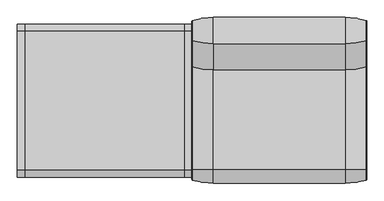
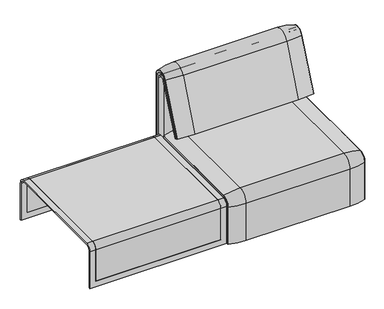
"""IFC4 building model written with IfcOpenShell, lengths in millimetres: furniture geometry."""

from ifc_helpers import new_model, si_unit, point, frame, frame_2d, origin, place, context, project, spatial, polyline, circle_curve, ellipse_curve, trimmed, segment, composite_curve, outline, extrude, source, transform, mapped, element, save
from ifc_brep_helpers import plane_surface, cylinder_surface, revolved_surface, advanced_brep


def furniture_8098b35e(model_context):
    return source(origin(), model_context, "Body", "SolidModel", [
        advanced_brep(
        [(407.9906244, 295.0, 359.922434), (407.9906244, 295.0, 366.172434), (1223.9718733, 295.0, 366.172434), (1223.9718733, 295.0, 359.922434), (407.9906244, -357.5, 333.0583003), (407.9906244, -357.5, 100.5089435), (1223.9718733, -357.5, 100.5089435), (1223.9718733, -357.5, 333.0583003), (1189.0718733, -357.5, 333.0583003), (1189.0718733, -357.5, 135.3766997), (442.8906244, -357.5, 135.3766997), (442.8906244, -357.5, 333.0583003), (407.9906244, -323.7517936, 359.922434), (1223.9718733, -323.7517936, 359.922434), (1189.0718733, -323.7517936, 359.922434), (1189.0718733, 260.0, 359.922434), (442.8906244, 260.0, 359.922434), (442.8906244, -323.7517936, 359.922434), (1189.0718733, -351.0, 135.3766997), (1189.0718733, -324.3858663, 366.172434), (1189.0718733, 260.0, 366.172434), (1189.0718733, -351.0, 332.6742277), (442.8906244, 260.0, 366.172434), (407.9906244, -351.0, 332.6742277), (407.9906244, -351.0, 100.5089435), (407.9906244, -324.3858663, 366.172434), (1223.9718733, -324.3858663, 366.172434), (1223.9718733, -351.0, 100.5089435), (1223.9718733, -351.0, 332.6742277), (442.8906244, -324.3858663, 366.172434), (442.8906244, -351.0, 332.6742277), (442.8906244, -351.0, 135.3766997)],
        [
            (0, 1),
            (1, 2),
            (2, 3),
            (3, 0),
            (4, 5),
            (5, 6),
            (6, 7),
            (7, 8),
            (8, 9),
            (9, 10),
            (10, 11),
            (11, 4),
            (12, 0),
            (3, 13),
            (13, 14),
            (14, 15),
            (15, 16),
            (16, 17),
            (17, 12),
            (18, 9),
            (8, 19, circle_curve(frame((1189.0718733, -324.3858663, 333.0583003), z_axis=(-1.0, 0.0, 0.0), x_axis=(0.0, -1.0, 0.0)), 33.1141337)),
            (19, 20),
            (20, 15),
            (14, 21, circle_curve(frame((1189.0718733, -323.7517936, 332.6742277), z_axis=(1.0, 0.0, 0.0), x_axis=(0.0, -1.0, 0.0)), 27.2482064)),
            (21, 18),
            (22, 16),
            (20, 22),
            (12, 23, circle_curve(frame((407.9906244, -323.7517936, 332.6742277), z_axis=(1.0, 0.0, 0.0), x_axis=(0.0, -1.0, 0.0)), 27.2482064)),
            (23, 24),
            (24, 5),
            (4, 25, circle_curve(frame((407.9906244, -324.3858663, 333.0583003), z_axis=(-1.0, 0.0, 0.0), x_axis=(0.0, -1.0, 0.0)), 33.1141337)),
            (25, 1),
            (2, 26),
            (26, 7, circle_curve(frame((1223.9718733, -324.3858663, 333.0583003), z_axis=(1.0, 0.0, 0.0), x_axis=(0.0, -1.0, 0.0)), 33.1141337)),
            (6, 27),
            (27, 28),
            (28, 13, circle_curve(frame((1223.9718733, -323.7517936, 332.6742277), z_axis=(-1.0, 0.0, 0.0), x_axis=(0.0, -1.0, 0.0)), 27.2482064)),
            (25, 29),
            (29, 22),
            (19, 26),
            (11, 29, circle_curve(frame((442.8906244, -324.3858663, 333.0583003), z_axis=(-1.0, 0.0, 0.0), x_axis=(0.0, -1.0, 0.0)), 33.1141337)),
            (24, 27),
            (23, 30),
            (30, 31),
            (31, 18),
            (21, 28),
            (17, 30, circle_curve(frame((442.8906244, -323.7517936, 332.6742277), z_axis=(1.0, 0.0, 0.0), x_axis=(0.0, -1.0, 0.0)), 27.2482064)),
            (10, 31),
        ],
        [
            plane_surface(frame((407.9906244, 295.0, 366.172434), z_axis=(0.0, 1.0, 0.0), x_axis=(1.0, 0.0, 0.0))),
            plane_surface(frame((407.9906244, -357.5, 100.5089435), z_axis=(0.0, -1.0, 0.0), x_axis=(1.0, 0.0, 0.0))),
            plane_surface(frame((407.9906244, 295.0, 359.922434), z_axis=(0.0, 0.0, -1.0), x_axis=(1.0, 0.0, 0.0))),
            plane_surface(frame((1189.0718733, -296.9265415, 359.922434), z_axis=(-1.0, 0.0, 0.0), x_axis=(0.0, 1.0, 0.0))),
            plane_surface(frame((442.8906244, 260.0, 366.172434), z_axis=(0.0, -1.0, 0.0), x_axis=(1.0, 0.0, 0.0))),
            plane_surface(frame((407.9906244, -296.9265415, 359.922434), z_axis=(-1.0, 0.0, 0.0), x_axis=(0.0, -1.0, 0.0))),
            plane_surface(frame((1223.9718733, -296.9265415, 359.922434), z_axis=(1.0, 0.0, 0.0), x_axis=(0.0, 1.0, 0.0))),
            plane_surface(frame((407.9906244, -324.3858663, 366.172434), z_axis=(0.0, 0.0, 1.0), x_axis=(1.0, 0.0, 0.0))),
            cylinder_surface(frame((1223.9718733, -324.3858663, 333.0583003), z_axis=(-1.0, 0.0, 0.0), x_axis=(0.0, -1.0, 0.0)), 33.1141337),
            plane_surface(frame((407.9906244, -351.0, 100.5089435), z_axis=(0.0, 0.0, -1.0), x_axis=(1.0, 0.0, 0.0))),
            plane_surface(frame((407.9906244, -351.0, 332.6742277), z_axis=(0.0, 1.0, 0.0), x_axis=(1.0, 0.0, 0.0))),
            revolved_surface(polyline([(442.8906244, -351.0, 332.6742277), (407.9906244, -351.0, 332.6742277)]), (1223.9718733, -323.7517936, 332.6742277), (1.0, 0.0, 0.0)),
            revolved_surface(polyline([(1223.9718733, -351.0, 332.6742277), (1189.0718733, -351.0, 332.6742277)]), (1223.9718733, -323.7517936, 332.6742277), (1.0, 0.0, 0.0)),
            plane_surface(frame((442.8906244, -296.9265415, 359.922434), z_axis=(1.0, 0.0, 0.0), x_axis=(0.0, -1.0, 0.0))),
            plane_surface(frame((442.8906244, -351.0, 135.3766997), z_axis=(0.0, 0.0, 1.0), x_axis=(1.0, 0.0, 0.0))),
        ],
        [
            (0, [[1, 2, 3, 4]]),
            (1, [[5, 6, 7, 8, 9, 10, 11, 12]]),
            (2, [[13, -4, 14, 15, 16, 17, 18, 19]]),
            (3, [[20, -9, 21, 22, 23, -16, 24, 25]]),
            (4, [[26, -17, -23, 27]]),
            (5, [[-13, 28, 29, 30, -5, 31, 32, -1]]),
            (6, [[-3, 33, 34, -7, 35, 36, 37, -14]]),
            (7, [[-32, 38, 39, -27, -22, 40, -33, -2]]),
            (8, [[-34, -40, -21, -8]]),
            (8, [[-31, -12, 41, -38]]),
            (9, [[-30, 42, -35, -6]]),
            (10, [[-29, 43, 44, 45, -25, 46, -36, -42]]),
            (11, [[-28, -19, 47, -43]]),
            (12, [[-37, -46, -24, -15]]),
            (13, [[-26, -39, -41, -11, 48, -44, -47, -18]]),
            (14, [[-48, -10, -20, -45]]),
        ],
    ),
        extrude(outline(composite_curve([segment(polyline([(260.0, 359.922434), (-323.7517936, 359.922434)]), True, "CONTINUOUS"), segment(trimmed(circle_curve(frame_2d((-323.7517936, 332.6742277)), 27.2482064), [point((-323.7517936, 359.922434))], [point((-351.0, 332.6742277))], True, "CARTESIAN"), True, "CONTINUOUS"), segment(polyline([(-351.0, 332.6742277), (-351.0, 135.3766997), (-357.5, 135.3766997), (-357.5, 333.0583003)]), True, "CONTINUOUS"), segment(trimmed(circle_curve(frame_2d((-324.3858663, 333.0583003)), 33.1141337), [point((-357.5, 333.0583003))], [point((-324.3858663, 366.172434))], False, "CARTESIAN"), True, "CONTINUOUS"), segment(polyline([(-324.3858663, 366.172434), (260.0, 366.172434), (260.0, 359.922434)]), True, "CONTINUOUS")], self_intersect=False)), frame((442.8906244, 0.0, 0.0), z_axis=(1.0, 0.0, 0.0), x_axis=(0.0, 1.0, 0.0)), (0.0, 0.0, 1.0), 746.1812488),
        advanced_brep(
        [(407.9906244, -368.7793679, 100.5089435), (407.9906244, -357.5, 100.5089435), (1223.9718733, -357.5, 100.5089435), (1223.9718733, -368.7793679, 100.5089435), (1221.8332448, -371.6530483, 100.5089435), (1123.9718733, -386.0043559, 100.5089435), (507.9906244, -386.0043559, 100.5089435), (410.1292529, -371.6530483, 100.5089435), (407.9906244, 295.0, 377.4518019), (410.1292529, 295.0, 380.3254823), (507.9906244, 295.0, 394.67679), (1123.9718733, 295.0, 394.67679), (1221.8332448, 295.0, 380.3254823), (1223.9718733, 295.0, 377.4518019), (1223.9718733, 295.0, 366.172434), (407.9906244, 295.0, 366.172434), (407.9906244, -368.7793679, 333.0583003), (407.9906244, -324.3858663, 377.4518019), (407.9906244, -324.3858663, 366.172434), (407.9906244, -357.5, 333.0583003), (1223.9718733, -357.5, 333.0583003), (1123.9718733, -386.0043559, 333.0583003), (507.9906244, -386.0043559, 333.0583003), (410.1292529, -371.6530483, 333.0583003), (1223.9718733, -324.3858663, 366.172434), (507.9906244, -324.3858663, 394.67679), (1123.9718733, -324.3858663, 394.67679), (410.1292529, -324.3858663, 380.3254823), (1223.9718733, -324.3858663, 377.4518019), (1223.9718733, -368.7793679, 333.0583003), (1221.8332448, -371.6530483, 333.0583003), (1221.8332448, -324.3858663, 380.3254823)],
        [
            (0, 1),
            (1, 2),
            (2, 3),
            (3, 4, circle_curve(frame((1220.9718733, -368.7793679, 100.5089435), z_axis=(0.0, 0.0, -1.0), x_axis=(-1.0, 0.0, 0.0)), 3.0)),
            (4, 5, circle_curve(frame((1123.9718733, -45.1710226, 100.5089435), z_axis=(0.0, 0.0, -1.0), x_axis=(0.0, 1.0, 0.0)), 340.8333333)),
            (5, 6),
            (6, 7, circle_curve(frame((507.9906244, -45.1710226, 100.5089435), z_axis=(0.0, 0.0, -1.0), x_axis=(0.0, 1.0, 0.0)), 340.8333333)),
            (7, 0, circle_curve(frame((410.9906244, -368.7793679, 100.5089435), z_axis=(0.0, 0.0, -1.0), x_axis=(1.0, 0.0, 0.0)), 3.0)),
            (8, 9, circle_curve(frame((410.9906244, 295.0, 377.4518019), z_axis=(0.0, 1.0, 0.0), x_axis=(1.0, 0.0, 0.0)), 3.0)),
            (9, 10, circle_curve(frame((507.9906244, 295.0, 53.8434566), z_axis=(0.0, 1.0, 0.0), x_axis=(0.0, 0.0, -1.0)), 340.8333333)),
            (10, 11),
            (11, 12, circle_curve(frame((1123.9718733, 295.0, 53.8434566), z_axis=(0.0, 1.0, 0.0), x_axis=(0.0, 0.0, -1.0)), 340.8333333)),
            (12, 13, circle_curve(frame((1220.9718733, 295.0, 377.4518019), z_axis=(0.0, 1.0, 0.0), x_axis=(-1.0, 0.0, 0.0)), 3.0)),
            (13, 14),
            (14, 15),
            (15, 8),
            (0, 16),
            (16, 17, circle_curve(frame((407.9906244, -324.3858663, 333.0583003), z_axis=(-1.0, 0.0, 0.0), x_axis=(0.0, -1.0, 0.0)), 44.3935016)),
            (17, 8),
            (15, 18),
            (18, 19, circle_curve(frame((407.9906244, -324.3858663, 333.0583003), z_axis=(1.0, 0.0, 0.0), x_axis=(0.0, -1.0, 0.0)), 33.1141337)),
            (19, 1),
            (19, 20),
            (20, 2),
            (5, 21),
            (21, 22),
            (22, 6),
            (22, 23, circle_curve(frame((507.9906244, -45.1710226, 333.0583003), z_axis=(0.0, 0.0, -1.0), x_axis=(0.0, 1.0, 0.0)), 340.8333333)),
            (23, 7),
            (23, 16, circle_curve(frame((410.9906244, -368.7793679, 333.0583003), z_axis=(0.0, 0.0, -1.0), x_axis=(1.0, 0.0, 0.0)), 3.0)),
            (24, 20, circle_curve(frame((1223.9718733, -324.3858663, 333.0583003), z_axis=(1.0, 0.0, 0.0), x_axis=(0.0, -1.0, 0.0)), 33.1141337)),
            (18, 24),
            (25, 22, circle_curve(frame((507.9906244, -324.3858663, 333.0583003), z_axis=(1.0, 0.0, 0.0), x_axis=(0.0, -1.0, 0.0)), 61.6184897)),
            (21, 26, circle_curve(frame((1123.9718733, -324.3858663, 333.0583003), z_axis=(-1.0, 0.0, 0.0), x_axis=(0.0, -1.0, 0.0)), 61.6184897)),
            (26, 25),
            (27, 23, circle_curve(frame((410.1292529, -324.3858663, 333.0583003), z_axis=(1.0, 0.0, 0.0), x_axis=(0.0, -1.0, 0.0)), 47.267182)),
            (25, 27, circle_curve(frame((507.9906244, -324.3858663, 53.8434566), z_axis=(0.0, -1.0, 0.0), x_axis=(0.0, 0.0, -1.0)), 340.8333333)),
            (27, 17, circle_curve(frame((410.9906244, -324.3858663, 377.4518019), z_axis=(0.0, -1.0, 0.0), x_axis=(1.0, 0.0, 0.0)), 3.0)),
            (14, 24),
            (26, 11),
            (10, 25),
            (9, 27),
            (13, 28),
            (28, 29, circle_curve(frame((1223.9718733, -324.3858663, 333.0583003), z_axis=(1.0, 0.0, 0.0), x_axis=(0.0, -1.0, 0.0)), 44.3935016)),
            (29, 3),
            (29, 30, circle_curve(frame((1220.9718733, -368.7793679, 333.0583003), z_axis=(0.0, 0.0, -1.0), x_axis=(-1.0, 0.0, 0.0)), 3.0)),
            (30, 4),
            (30, 21, circle_curve(frame((1123.9718733, -45.1710226, 333.0583003), z_axis=(0.0, 0.0, -1.0), x_axis=(0.0, 1.0, 0.0)), 340.8333333)),
            (31, 30, circle_curve(frame((1221.8332448, -324.3858663, 333.0583003), z_axis=(1.0, 0.0, 0.0), x_axis=(0.0, -1.0, 0.0)), 47.267182)),
            (28, 31, circle_curve(frame((1220.9718733, -324.3858663, 377.4518019), z_axis=(0.0, -1.0, 0.0), x_axis=(-1.0, 0.0, 0.0)), 3.0)),
            (31, 26, circle_curve(frame((1123.9718733, -324.3858663, 53.8434566), z_axis=(0.0, -1.0, 0.0), x_axis=(0.0, 0.0, -1.0)), 340.8333333)),
            (12, 31),
        ],
        [
            plane_surface(frame((407.9906244, -357.5, 100.5089435), z_axis=(0.0, 0.0, -1.0), x_axis=(1.0, 0.0, 0.0))),
            plane_surface(frame((407.9906244, 295.0, 366.172434), z_axis=(0.0, 1.0, 0.0), x_axis=(1.0, 0.0, 0.0))),
            plane_surface(frame((407.9906244, -368.7793679, 100.5089435), z_axis=(-1.0, 0.0, 0.0), x_axis=(0.0, 0.0, 1.0))),
            plane_surface(frame((407.9906244, -357.5, 100.5089435), z_axis=(0.0, 1.0, 0.0), x_axis=(0.0, 0.0, 1.0))),
            plane_surface(frame((1123.9718733, -386.0043559, 100.5089435), z_axis=(0.0, -1.0, 0.0), x_axis=(0.0, 0.0, 1.0))),
            cylinder_surface(frame((507.9906244, -45.1710226, 100.5089435), z_axis=(0.0, 0.0, -1.0), x_axis=(0.0, 1.0, 0.0)), 340.8333333),
            cylinder_surface(frame((410.9906244, -368.7793679, 100.5089435), z_axis=(0.0, 0.0, -1.0), x_axis=(1.0, 0.0, 0.0)), 3.0),
            revolved_surface(polyline([(407.9906244, -357.5, 333.0583003), (1223.9718733, -357.5, 333.0583003)]), (407.9906244, -324.3858663, 333.0583003), (-1.0, 0.0, 0.0)),
            cylinder_surface(frame((407.9906244, -324.3858663, 333.0583003), z_axis=(-1.0, 0.0, 0.0), x_axis=(0.0, -1.0, 0.0)), 61.6184897),
            revolved_surface(trimmed(ellipse_curve(frame((507.9906244, -45.1710226, 333.0583003), z_axis=(0.0, 0.0, -1.0), x_axis=(0.0, 1.0, 0.0)), 340.8333333, 340.8333333), [point((507.9906244, -386.0043559, 333.0583003))], [point((410.1292529, -371.6530483, 333.0583003))], True, "CARTESIAN"), (407.9906244, -324.3858663, 333.0583003), (-1.0, 0.0, 0.0)),
            revolved_surface(trimmed(ellipse_curve(frame((410.9906244, -368.7793679, 333.0583003), z_axis=(0.0, 0.0, -1.0), x_axis=(1.0, 0.0, 0.0)), 3.0, 3.0), [point((410.1292529, -371.6530483, 333.0583003))], [point((407.9906244, -368.7793679, 333.0583003))], True, "CARTESIAN"), (407.9906244, -324.3858663, 333.0583003), (-1.0, 0.0, 0.0)),
            plane_surface(frame((407.9906244, -324.3858663, 366.172434), z_axis=(0.0, 0.0, -1.0), x_axis=(0.0, 1.0, 0.0))),
            plane_surface(frame((1123.9718733, -324.3858663, 394.67679), z_axis=(0.0, 0.0, 1.0), x_axis=(0.0, 1.0, 0.0))),
            cylinder_surface(frame((507.9906244, -324.3858663, 53.8434566), z_axis=(0.0, -1.0, 0.0), x_axis=(0.0, 0.0, -1.0)), 340.8333333),
            cylinder_surface(frame((410.9906244, -324.3858663, 377.4518019), z_axis=(0.0, -1.0, 0.0), x_axis=(1.0, 0.0, 0.0)), 3.0),
            plane_surface(frame((1223.9718733, -357.5, 100.5089435), z_axis=(1.0, 0.0, 0.0), x_axis=(0.0, 0.0, 1.0))),
            cylinder_surface(frame((1220.9718733, -368.7793679, 100.5089435), z_axis=(0.0, 0.0, -1.0), x_axis=(-1.0, 0.0, 0.0)), 3.0),
            cylinder_surface(frame((1123.9718733, -45.1710226, 100.5089435), z_axis=(0.0, 0.0, -1.0), x_axis=(0.0, 1.0, 0.0)), 340.8333333),
            revolved_surface(trimmed(ellipse_curve(frame((1220.9718733, -368.7793679, 333.0583003), z_axis=(0.0, 0.0, -1.0), x_axis=(-1.0, 0.0, 0.0)), 3.0, 3.0), [point((1223.9718733, -368.7793679, 333.0583003))], [point((1221.8332448, -371.6530483, 333.0583003))], True, "CARTESIAN"), (407.9906244, -324.3858663, 333.0583003), (-1.0, 0.0, 0.0)),
            revolved_surface(trimmed(ellipse_curve(frame((1123.9718733, -45.1710226, 333.0583003), z_axis=(0.0, 0.0, -1.0), x_axis=(0.0, 1.0, 0.0)), 340.8333333, 340.8333333), [point((1221.8332448, -371.6530483, 333.0583003))], [point((1123.9718733, -386.0043559, 333.0583003))], True, "CARTESIAN"), (407.9906244, -324.3858663, 333.0583003), (-1.0, 0.0, 0.0)),
            cylinder_surface(frame((1220.9718733, -324.3858663, 377.4518019), z_axis=(0.0, -1.0, 0.0), x_axis=(-1.0, 0.0, 0.0)), 3.0),
            cylinder_surface(frame((1123.9718733, -324.3858663, 53.8434566), z_axis=(0.0, -1.0, 0.0), x_axis=(0.0, 0.0, -1.0)), 340.8333333),
        ],
        [
            (0, [[1, 2, 3, 4, 5, 6, 7, 8]]),
            (1, [[9, 10, 11, 12, 13, 14, 15, 16]]),
            (2, [[-1, 17, 18, 19, -16, 20, 21, 22]]),
            (3, [[-2, -22, 23, 24]]),
            (4, [[-6, 25, 26, 27]]),
            (5, [[-7, -27, 28, 29]]),
            (6, [[-8, -29, 30, -17]]),
            (7, [[31, -23, -21, 32]]),
            (8, [[33, -26, 34, 35]]),
            (9, [[36, -28, -33, 37]]),
            (10, [[-18, -30, -36, 38]]),
            (11, [[-32, -20, -15, 39]]),
            (12, [[-35, 40, -11, 41]]),
            (13, [[-37, -41, -10, 42]]),
            (14, [[-38, -42, -9, -19]]),
            (15, [[-3, -24, -31, -39, -14, 43, 44, 45]]),
            (16, [[-4, -45, 46, 47]]),
            (17, [[-5, -47, 48, -25]]),
            (18, [[49, -46, -44, 50]]),
            (19, [[-34, -48, -49, 51]]),
            (20, [[-50, -43, -13, 52]]),
            (21, [[-51, -52, -12, -40]]),
        ],
    ),
        advanced_brep(
        [(1189.0718733, 176.0980387, 452.25948), (1189.0718733, 181.0136548, 450.2250668), (442.8906244, 181.0136548, 450.2250668), (442.8906244, 176.0980387, 452.25948), (1223.9884174, 351.0000061, 101.8476716), (1223.9884174, 351.0000061, 712.9272623), (1189.0718733, 351.0000061, 712.9272623), (1189.0718733, 351.0000061, 135.3766997), (442.8906244, 351.0000061, 135.3766997), (442.8906244, 351.0000061, 712.9272623), (408.0071685, 351.0000061, 712.9272623), (408.0071685, 351.0000061, 101.8476716), (1223.9884174, 359.7858817, 101.8476716), (1223.9884174, 359.7858817, 720.3417731), (1223.9884174, 292.4403877, 733.7122262), (1223.9884174, 170.1966807, 437.98305), (1223.9884174, 175.0204081, 435.9866665), (1223.9884174, 296.2458652, 723.9869215), (408.0071685, 296.2720241, 723.9759107), (408.0071685, 175.0204081, 435.9866665), (408.0071685, 170.1966807, 437.98305), (408.0071685, 292.4403877, 733.7122262), (408.0071685, 359.7858817, 720.3417731), (408.0071685, 359.7858817, 101.8476716), (1189.0718733, 292.4403877, 733.7122262), (442.8906244, 292.4403877, 733.7122262), (442.8906244, 296.2458652, 723.9869215), (1189.0718733, 296.2458652, 723.9869215), (442.8906244, 359.7858817, 720.3417731), (442.8906244, 359.7858817, 135.3766997), (1189.0718733, 359.7858817, 135.3766997), (1189.0718733, 359.7858817, 720.3417731)],
        [
            (0, 1),
            (1, 2),
            (2, 3),
            (3, 0),
            (4, 5),
            (5, 6),
            (6, 7),
            (7, 8),
            (8, 9),
            (9, 10),
            (10, 11),
            (11, 4),
            (4, 12),
            (12, 13),
            (13, 14, circle_curve(frame((1223.9884174, 324.7858817, 720.3417731), z_axis=(1.0, 0.0, 0.0), x_axis=(0.0, -1.0, 0.0)), 35.0)),
            (14, 15),
            (15, 16),
            (16, 17),
            (17, 5, circle_curve(frame((1223.9884174, 322.520748, 712.9272623), z_axis=(-1.0, 0.0, 0.0), x_axis=(0.0, -1.0, 0.0)), 28.479258)),
            (10, 18, circle_curve(frame((408.0071685, 322.520748, 712.9272623), z_axis=(1.0, 0.0, 0.0), x_axis=(0.0, -1.0, 0.0)), 28.479258)),
            (18, 19),
            (19, 20),
            (20, 21),
            (21, 22, circle_curve(frame((408.0071685, 324.7858817, 720.3417731), z_axis=(-1.0, 0.0, 0.0), x_axis=(0.0, -1.0, 0.0)), 35.0)),
            (22, 23),
            (23, 11),
            (14, 24),
            (24, 0),
            (3, 25),
            (25, 21),
            (20, 15),
            (19, 16),
            (18, 26),
            (26, 2),
            (1, 27),
            (27, 17),
            (23, 12),
            (22, 28),
            (28, 29),
            (29, 30),
            (30, 31),
            (31, 13),
            (31, 24, circle_curve(frame((1189.0718733, 324.7858817, 720.3417731), z_axis=(1.0, 0.0, 0.0), x_axis=(0.0, -1.0, 0.0)), 35.0)),
            (25, 28, circle_curve(frame((442.8906244, 324.7858817, 720.3417731), z_axis=(-1.0, 0.0, 0.0), x_axis=(0.0, -1.0, 0.0)), 35.0)),
            (27, 6, circle_curve(frame((1189.0718733, 322.520748, 712.9272623), z_axis=(-1.0, 0.0, 0.0), x_axis=(0.0, -1.0, 0.0)), 28.479258)),
            (9, 26, circle_curve(frame((442.8906244, 322.520748, 712.9272623), z_axis=(1.0, 0.0, 0.0), x_axis=(0.0, -1.0, 0.0)), 28.479258)),
            (30, 7),
            (8, 29),
        ],
        [
            plane_surface(frame((1189.0718733, 166.9120641, 456.0612553), z_axis=(0.0, 0.38241039441982605, 0.9239925812687422), x_axis=(-1.0, 0.0, 0.0))),
            plane_surface(frame((1223.9884174, 351.0000061, 712.9272623), z_axis=(0.0, -1.0, 0.0), x_axis=(-1.0, 0.0, 0.0))),
            plane_surface(frame((1223.9884174, 359.7858817, 101.8476716), z_axis=(1.0, 0.0, 0.0), x_axis=(0.0, 1.0, 0.0))),
            plane_surface(frame((408.0071685, 359.7858817, 101.8476716), z_axis=(-1.0, 0.0, 0.0), x_axis=(0.0, -1.0, 0.0))),
            plane_surface(frame((1223.9884174, 292.4403877, 733.7122262), z_axis=(0.0, -0.9241569717933176, 0.3820129467515535), x_axis=(-1.0, 0.0, 0.0))),
            plane_surface(frame((1223.9884174, 170.1966807, 437.98305), z_axis=(0.0, -0.38241039441983893, -0.9239925812687368), x_axis=(-1.0, 0.0, 0.0))),
            plane_surface(frame((1223.9884174, 175.0204081, 435.9866665), z_axis=(0.0, 0.921678643444566, -0.3879542218073993), x_axis=(-1.0, 0.0, 0.0))),
            plane_surface(frame((1223.9884174, 351.0000061, 101.8476716), z_axis=(0.0, 0.0, -1.0), x_axis=(-1.0, 0.0, 0.0))),
            plane_surface(frame((1223.9884174, 359.7858817, 101.8476716), z_axis=(0.0, 1.0, 0.0), x_axis=(-1.0, 0.0, 0.0))),
            cylinder_surface(frame((408.0071685, 324.7858817, 720.3417731), z_axis=(1.0, 0.0, 0.0), x_axis=(0.0, -1.0, 0.0)), 35.0),
            revolved_surface(polyline([(1189.0718733, 294.04149, 712.9272623), (1223.9884174, 294.04149, 712.9272623)]), (408.0071685, 322.520748, 712.9272623), (-1.0, 0.0, 0.0)),
            revolved_surface(polyline([(408.0071685, 294.04149, 712.9272623), (442.8906244, 294.04149, 712.9272623)]), (408.0071685, 322.520748, 712.9272623), (-1.0, 0.0, 0.0)),
            plane_surface(frame((1189.0718733, 359.7858817, 135.3766997), z_axis=(-1.0, 0.0, 0.0), x_axis=(0.0, 1.0, 0.0))),
            plane_surface(frame((442.8906244, 359.7858817, 135.3766997), z_axis=(1.0, 0.0, 0.0), x_axis=(0.0, -1.0, 0.0))),
            plane_surface(frame((1189.0718733, 344.7858817, 135.3766997), z_axis=(0.0, 0.0, 1.0), x_axis=(-1.0, 0.0, 0.0))),
        ],
        [
            (0, [[1, 2, 3, 4]]),
            (1, [[5, 6, 7, 8, 9, 10, 11, 12]]),
            (2, [[13, 14, 15, 16, 17, 18, 19, -5]]),
            (3, [[-11, 20, 21, 22, 23, 24, 25, 26]]),
            (4, [[-16, 27, 28, -4, 29, 30, -23, 31]]),
            (5, [[-17, -31, -22, 32]]),
            (6, [[-18, -32, -21, 33, 34, -2, 35, 36]]),
            (7, [[-13, -12, -26, 37]]),
            (8, [[-14, -37, -25, 38, 39, 40, 41, 42]]),
            (9, [[-15, -42, 43, -27]]),
            (9, [[-24, -30, 44, -38]]),
            (10, [[-19, -36, 45, -6]]),
            (11, [[-20, -10, 46, -33]]),
            (12, [[-1, -28, -43, -41, 47, -7, -45, -35]]),
            (13, [[48, -39, -44, -29, -3, -34, -46, -9]]),
            (14, [[-47, -40, -48, -8]]),
        ],
    ),
        advanced_brep(
        [(442.8906244, 351.0000061, 135.3766997), (442.8906244, 351.0000061, 712.9272623), (442.8906244, 296.2720241, 723.9759107), (442.8906244, 181.0136548, 450.2250668), (442.8906244, 176.0980387, 452.25948), (442.8906244, 292.4403877, 733.7122262), (442.8906244, 359.7858817, 720.3417731), (442.8906244, 359.7858817, 135.3766997), (1189.0718733, 176.0980387, 452.25948), (1189.0718733, 292.4403877, 733.7122262), (1189.0718733, 181.0136548, 450.2250668), (1189.0718733, 296.2458652, 723.9869215), (1189.0718733, 351.0000061, 135.3766997), (1189.0718733, 351.0000061, 712.9272623), (1189.0718733, 359.7858817, 135.3766997), (1189.0718733, 359.7858817, 720.3417731)],
        [
            (0, 1),
            (1, 2, circle_curve(frame((442.8906244, 322.520748, 712.9272623), z_axis=(1.0, 0.0, 0.0), x_axis=(0.0, -1.0, 0.0)), 28.479258)),
            (2, 3),
            (3, 4),
            (4, 5),
            (5, 6, circle_curve(frame((442.8906244, 324.7858817, 720.3417731), z_axis=(-1.0, 0.0, 0.0), x_axis=(0.0, -1.0, 0.0)), 35.0)),
            (6, 7),
            (7, 0),
            (8, 9),
            (9, 5),
            (4, 8),
            (10, 8),
            (3, 10),
            (11, 10),
            (2, 11),
            (12, 13),
            (13, 1),
            (0, 12),
            (12, 14),
            (14, 15),
            (15, 9, circle_curve(frame((1189.0718733, 324.7858817, 720.3417731), z_axis=(1.0, 0.0, 0.0), x_axis=(0.0, -1.0, 0.0)), 35.0)),
            (11, 13, circle_curve(frame((1189.0718733, 322.520748, 712.9272623), z_axis=(-1.0, 0.0, 0.0), x_axis=(0.0, -1.0, 0.0)), 28.479258)),
            (7, 14),
            (6, 15),
        ],
        [
            plane_surface(frame((442.8906244, 359.7858817, 135.3766997), z_axis=(-1.0, 0.0, 0.0), x_axis=(0.0, -1.0, 0.0))),
            plane_surface(frame((1189.0718733, 292.4403877, 733.7122262), z_axis=(0.0, -0.9241569717933176, 0.3820129467515535), x_axis=(-1.0, 0.0, 0.0))),
            plane_surface(frame((1189.0718733, 176.0980387, 452.25948), z_axis=(0.0, -0.38241039441982716, -0.9239925812687417), x_axis=(-1.0, 0.0, 0.0))),
            plane_surface(frame((1189.0718733, 181.0136548, 450.2250668), z_axis=(0.0, 0.921678643444566, -0.3879542218073993), x_axis=(-1.0, 0.0, 0.0))),
            plane_surface(frame((1189.0718733, 351.0000061, 712.9272623), z_axis=(0.0, -1.0, 0.0), x_axis=(-1.0, 0.0, 0.0))),
            plane_surface(frame((1189.0718733, 359.7858817, 135.3766997), z_axis=(1.0, 0.0, 0.0), x_axis=(0.0, 1.0, 0.0))),
            plane_surface(frame((1189.0718733, 351.0000061, 135.3766997), z_axis=(0.0, 0.0, -1.0), x_axis=(-1.0, 0.0, 0.0))),
            plane_surface(frame((1189.0718733, 359.7858817, 135.3766997), z_axis=(0.0, 1.0, 0.0), x_axis=(-1.0, 0.0, 0.0))),
            cylinder_surface(frame((442.8906244, 324.7858817, 720.3417731), z_axis=(1.0, 0.0, 0.0), x_axis=(0.0, -1.0, 0.0)), 35.0),
            revolved_surface(polyline([(442.8906244, 294.04149, 712.9272623), (1189.0718733, 294.04149, 712.9272623)]), (442.8906244, 322.520748, 712.9272623), (-1.0, 0.0, 0.0)),
        ],
        [
            (0, [[1, 2, 3, 4, 5, 6, 7, 8]]),
            (1, [[9, 10, -5, 11]]),
            (2, [[12, -11, -4, 13]]),
            (3, [[14, -13, -3, 15]]),
            (4, [[16, 17, -1, 18]]),
            (5, [[19, 20, 21, -9, -12, -14, 22, -16]]),
            (6, [[-19, -18, -8, 23]]),
            (7, [[-20, -23, -7, 24]]),
            (8, [[-21, -24, -6, -10]]),
            (9, [[-22, -15, -2, -17]]),
        ],
    ),
        extrude(outline(composite_curve([segment(trimmed(circle_curve(frame_2d((305.0000061, 379.9223263)), 30.0), [point((305.0000061, 349.9223263))], [point((335.0000061, 379.9223263))], True, "CARTESIAN"), True, "CONTINUOUS"), segment(polyline([(335.0000061, 379.9223263), (335.0000061, 515.0657595)]), True, "CONTINUOUS"), segment(trimmed(circle_curve(frame_2d((305.0000061, 515.0657595)), 30.0), [point((335.0000061, 515.0657595))], [point((316.7219399, 542.6809051))], True, "CARTESIAN"), True, "CONTINUOUS"), segment(polyline([(316.7219399, 542.6809051), (257.4911714, 567.8228747)]), True, "CONTINUOUS"), segment(trimmed(circle_curve(frame_2d((251.6302045, 554.0153019)), 15.0), [point((257.4911714, 567.8228747))], [point((238.0355877, 560.3545758))], True, "CARTESIAN"), True, "CONTINUOUS"), segment(polyline([(238.0355877, 560.3545758), (222.2725218, 526.5505721), (213.7507451, 529.5682915), (296.3054528, 724.0549949)]), True, "CONTINUOUS"), segment(trimmed(circle_curve(frame_2d((322.520748, 712.9272623)), 28.479258), [point((296.3054528, 724.0549949))], [point((351.0000061, 712.9272623))], False, "CARTESIAN"), True, "CONTINUOUS"), segment(polyline([(351.0000061, 712.9272623), (351.0000061, 197.0551771), (343.3075759, 197.0551771), (339.4064861, 271.492405)]), True, "CONTINUOUS"), segment(trimmed(circle_curve(frame_2d((309.4476, 269.9223263)), 30.0), [point((339.4064861, 271.492405))], [point((309.4476, 299.9223263))], True, "CARTESIAN"), True, "CONTINUOUS"), segment(polyline([(309.4476, 299.9223263), (270.0000061, 299.9223263), (270.0000061, 359.9223263), (275.0000061, 359.9223263)]), True, "CONTINUOUS"), segment(trimmed(circle_curve(frame_2d((285.0000061, 359.9223263)), 10.0), [point((275.0000061, 359.9223263))], [point((285.0000061, 349.9223263))], True, "CARTESIAN"), True, "CONTINUOUS"), segment(polyline([(285.0000061, 349.9223263), (305.0000061, 349.9223263)]), True, "CONTINUOUS")], self_intersect=False), holes=[composite_curve([segment(polyline([(337.5000061, 576.3274105), (337.5000061, 716.7072663)]), True, "CONTINUOUS"), segment(trimmed(circle_curve(frame_2d((322.5000061, 716.7072663)), 15.0), [point((337.5000061, 716.7072663))], [point((308.9053893, 723.0465402))], True, "CARTESIAN"), True, "CONTINUOUS"), segment(polyline([(308.9053893, 723.0465402), (253.6256191, 604.4986904)]), True, "CONTINUOUS"), segment(trimmed(circle_curve(frame_2d((271.7517748, 596.0463251)), 20.0), [point((253.6256191, 604.4986904))], [point((265.0756376, 577.1934953))], True, "CARTESIAN"), True, "CONTINUOUS"), segment(polyline([(265.0756376, 577.1934953), (314.1406626, 559.8186587)]), True, "CONTINUOUS"), segment(trimmed(circle_curve(frame_2d((319.9867182, 576.3274105)), 17.5132879), [point((314.1406626, 559.8186587))], [point((337.5000061, 576.3274105))], True, "CARTESIAN"), True, "CONTINUOUS")], self_intersect=False)]), frame((1060.9760457, 0.0, 0.0), z_axis=(1.0, 0.0, 0.0), x_axis=(0.0, 1.0, 0.0)), (0.0, 0.0, 1.0), 40.0),
        advanced_brep(
        [(1221.8497889, 373.93893, 100.5089435), (1123.9884174, 388.2902376, 100.5089435), (1123.9884174, 388.2902376, 720.3417731), (1221.8497889, 373.93893, 720.3417731), (407.9740803, 292.4403877, 733.7122262), (407.9740803, 359.7858817, 720.3417731), (1223.9884174, 359.7858817, 720.3417731), (1223.9884174, 292.4403877, 733.7122262), (507.9740803, 388.2902376, 100.5089435), (410.1127088, 373.93893, 100.5089435), (410.1127088, 373.93893, 720.3417731), (507.9740803, 388.2902376, 720.3417731), (410.1127088, 279.3607494, 739.1188739), (407.9740803, 282.0164812, 738.0210907), (407.9740803, 159.7723383, 442.2908598), (410.1127088, 157.1166065, 443.3886429), (507.9740803, 266.0978884, 744.6012592), (507.9740803, 143.8537454, 448.8710282), (1223.9884174, 371.0652495, 100.5089435), (1223.9884174, 359.7858817, 100.5089435), (407.9740803, 359.7858817, 100.5089435), (407.9740803, 371.0652495, 100.5089435), (1223.9884174, 371.0652495, 720.3417731), (1223.9884174, 282.0164812, 738.0210907), (1223.9884174, 159.7723383, 442.2908598), (1223.9884174, 170.1962447, 437.9819952), (1123.9884174, 143.8537454, 448.8710282), (407.9740803, 170.1962447, 437.9819952), (1221.8497889, 157.1166065, 443.3886429), (1123.9884174, 266.0978884, 744.6012592), (1221.8497889, 279.3607494, 739.1188739), (407.9740803, 371.0652495, 720.3417731)],
        [
            (0, 1, circle_curve(frame((1123.9884174, 47.4569043, 100.5089435), z_axis=(0.0, 0.0, 1.0), x_axis=(0.0, -1.0, 0.0)), 340.8333333)),
            (1, 2),
            (2, 3, circle_curve(frame((1123.9884174, 47.4569043, 720.3417731), z_axis=(0.0, 0.0, -1.0), x_axis=(0.0, -1.0, 0.0)), 340.8333333)),
            (3, 0),
            (4, 5, circle_curve(frame((407.9740803, 324.7858817, 720.3417731), z_axis=(-1.0, 0.0, 0.0), x_axis=(0.0, 1.0, 0.0)), 35.0)),
            (5, 6),
            (6, 7, circle_curve(frame((1223.9884174, 324.7858817, 720.3417731), z_axis=(1.0, 0.0, 0.0), x_axis=(0.0, 1.0, 0.0)), 35.0)),
            (7, 4),
            (8, 9, circle_curve(frame((507.9740803, 47.4569043, 100.5089435), z_axis=(0.0, 0.0, 1.0), x_axis=(0.0, -1.0, 0.0)), 340.8333333)),
            (9, 10),
            (10, 11, circle_curve(frame((507.9740803, 47.4569043, 720.3417731), z_axis=(0.0, 0.0, -1.0), x_axis=(0.0, -1.0, 0.0)), 340.8333333)),
            (11, 8),
            (12, 13, circle_curve(frame((410.9740803, 282.0164812, 738.0210907), z_axis=(0.0, -0.38201294675155345, -0.9241569717933176), x_axis=(-1.0, 0.0, 0.0)), 3.0)),
            (13, 14),
            (14, 15, circle_curve(frame((410.9740803, 159.7723383, 442.2908598), z_axis=(0.0, 0.38201294675155345, 0.9241569717933176), x_axis=(-1.0, 0.0, 0.0)), 3.0)),
            (15, 12),
            (16, 12, circle_curve(frame((507.9740803, 581.0813896, 614.3985132), z_axis=(0.0, -0.38201294675155345, -0.9241569717933176), x_axis=(0.0, 0.9241569717933176, -0.38201294675155345)), 340.8333333)),
            (15, 17, circle_curve(frame((507.9740803, 458.8372467, 318.6682822), z_axis=(0.0, 0.38201294675155345, 0.9241569717933176), x_axis=(0.0, 0.9241569717933176, -0.38201294675155345)), 340.8333333)),
            (17, 16),
            (0, 18, circle_curve(frame((1220.9884174, 371.0652495, 100.5089435), z_axis=(0.0, 0.0, -1.0), x_axis=(1.0, 0.0, 0.0)), 3.0)),
            (18, 19),
            (19, 20),
            (20, 21),
            (21, 9, circle_curve(frame((410.9740803, 371.0652495, 100.5089435), z_axis=(0.0, 0.0, -1.0), x_axis=(-1.0, 0.0, 0.0)), 3.0)),
            (8, 1),
            (11, 2),
            (3, 22, circle_curve(frame((1220.9884174, 371.0652495, 720.3417731), z_axis=(0.0, 0.0, -1.0), x_axis=(1.0, 0.0, 0.0)), 3.0)),
            (22, 18),
            (22, 23, circle_curve(frame((1223.9884174, 324.7858817, 720.3417731), z_axis=(1.0, 0.0, 0.0), x_axis=(0.0, 1.0, 0.0)), 46.2793679)),
            (23, 24),
            (24, 25),
            (25, 7),
            (6, 19),
            (5, 20),
            (26, 17),
            (14, 27),
            (27, 25),
            (24, 28, circle_curve(frame((1220.9884174, 159.7723383, 442.2908598), z_axis=(0.0, -0.38201294675155345, -0.9241569717933176), x_axis=(1.0, 0.0, 0.0)), 3.0)),
            (28, 26, circle_curve(frame((1123.9884174, 458.8372467, 318.6682822), z_axis=(0.0, -0.38201294675155345, -0.9241569717933176), x_axis=(0.0, 0.9241569717933176, -0.38201294675155345)), 340.8333333)),
            (29, 2, circle_curve(frame((1123.9884174, 324.7858817, 720.3417731), z_axis=(-1.0, 0.0, 0.0), x_axis=(0.0, 1.0, 0.0)), 63.5043559)),
            (11, 16, circle_curve(frame((507.9740803, 324.7858817, 720.3417731), z_axis=(1.0, 0.0, 0.0), x_axis=(0.0, 1.0, 0.0)), 63.5043559)),
            (16, 29),
            (30, 3, circle_curve(frame((1221.8497889, 324.7858817, 720.3417731), z_axis=(-1.0, 0.0, 0.0), x_axis=(0.0, 1.0, 0.0)), 49.1530483)),
            (29, 30, circle_curve(frame((1123.9884174, 581.0813896, 614.3985132), z_axis=(0.0, 0.382012946751556, 0.9241569717933165), x_axis=(0.0, 0.9241569717933165, -0.382012946751556)), 340.8333333)),
            (30, 23, circle_curve(frame((1220.9884174, 282.0164812, 738.0210907), z_axis=(0.0, 0.3820129467515552, 0.9241569717933168), x_axis=(1.0, 0.0, 0.0)), 3.0)),
            (26, 29),
            (28, 30),
            (27, 4),
            (13, 31, circle_curve(frame((407.9740803, 324.7858817, 720.3417731), z_axis=(-1.0, 0.0, 0.0), x_axis=(0.0, 1.0, 0.0)), 46.2793679)),
            (31, 21),
            (31, 10, circle_curve(frame((410.9740803, 371.0652495, 720.3417731), z_axis=(0.0, 0.0, -1.0), x_axis=(-1.0, 0.0, 0.0)), 3.0)),
            (12, 10, circle_curve(frame((410.1127088, 324.7858817, 720.3417731), z_axis=(-1.0, 0.0, 0.0), x_axis=(0.0, 1.0, 0.0)), 49.1530483)),
        ],
        [
            cylinder_surface(frame((1123.9884174, 47.4569043, 100.5089435), z_axis=(0.0, 0.0, -1.0), x_axis=(0.0, -1.0, 0.0)), 340.8333333),
            revolved_surface(polyline([(1223.9884174, 359.7858817, 720.3417731), (407.9740803, 359.7858817, 720.3417731)]), (820.7462721, 324.7858817, 720.3417731), (1.0, 0.0, 0.0)),
            cylinder_surface(frame((507.9740803, 47.4569043, 100.5089435), z_axis=(0.0, 0.0, -1.0), x_axis=(0.0, -1.0, 0.0)), 340.8333333),
            cylinder_surface(frame((410.9740803, 282.0164812, 738.0210907), z_axis=(0.0, 0.38201294675155345, 0.9241569717933176), x_axis=(-1.0, 0.0, 0.0)), 3.0),
            cylinder_surface(frame((507.9740803, 581.0813896, 614.3985132), z_axis=(0.0, 0.38201294675155345, 0.9241569717933176), x_axis=(0.0, 0.9241569717933176, -0.38201294675155345)), 340.8333333),
            plane_surface(frame((820.7462721, 359.7858817, 100.5089435), z_axis=(0.0, 0.0, -1.0), x_axis=(1.0, 0.0, 0.0))),
            plane_surface(frame((507.9740803, 388.2902376, 100.5089435), z_axis=(0.0, 1.0, 0.0), x_axis=(0.0, 0.0, 1.0))),
            cylinder_surface(frame((1220.9884174, 371.0652495, 100.5089435), z_axis=(0.0, 0.0, -1.0), x_axis=(1.0, 0.0, 0.0)), 3.0),
            plane_surface(frame((1223.9884174, 371.0652495, 100.5089435), z_axis=(1.0, 0.0, 0.0), x_axis=(0.0, 0.0, 1.0))),
            plane_surface(frame((1223.9884174, 359.7858817, 100.5089435), z_axis=(0.0, -1.0, 0.0), x_axis=(0.0, 0.0, 1.0))),
            plane_surface(frame((820.7462721, 170.1962447, 437.9819952), z_axis=(0.0, -0.38201294675155345, -0.9241569717933176), x_axis=(1.0, 0.0, 0.0))),
            cylinder_surface(frame((820.7462721, 324.7858817, 720.3417731), z_axis=(1.0, 0.0, 0.0), x_axis=(0.0, 1.0, 0.0)), 63.5043559),
            revolved_surface(trimmed(ellipse_curve(frame((1123.9884174, 47.4569043, 720.3417731), z_axis=(0.0, 0.0, -1.0), x_axis=(0.0, -1.0, 0.0)), 340.8333333, 340.8333333), [point((1123.9884174, 388.2902376, 720.3417731))], [point((1221.8497889, 373.93893, 720.3417731))], True, "CARTESIAN"), (820.7462721, 324.7858817, 720.3417731), (1.0, 0.0, 0.0)),
            revolved_surface(trimmed(ellipse_curve(frame((1220.9884174, 371.0652495, 720.3417731), z_axis=(0.0, 0.0, -1.0), x_axis=(1.0, 0.0, 0.0)), 3.0, 3.0), [point((1221.8497889, 373.93893, 720.3417731))], [point((1223.9884174, 371.0652495, 720.3417731))], True, "CARTESIAN"), (820.7462721, 324.7858817, 720.3417731), (1.0, 0.0, 0.0)),
            plane_surface(frame((507.9740803, 266.0978884, 744.6012592), z_axis=(0.0, -0.9241569717933176, 0.38201294675155356), x_axis=(0.0, -0.38201294675155356, -0.9241569717933176))),
            cylinder_surface(frame((1123.9884174, 581.0813896, 614.3985132), z_axis=(0.0, 0.38201294675155345, 0.9241569717933176), x_axis=(0.0, 0.9241569717933176, -0.38201294675155345)), 340.8333333),
            cylinder_surface(frame((1220.9884174, 282.0164812, 738.0210907), z_axis=(0.0, 0.38201294675155345, 0.9241569717933176), x_axis=(1.0, 0.0, 0.0)), 3.0),
            plane_surface(frame((1223.9884174, 292.4403877, 733.7122262), z_axis=(0.0, 0.9241569717933176, -0.38201294675155356), x_axis=(0.0, -0.38201294675155356, -0.9241569717933176))),
            plane_surface(frame((407.9740803, 359.7858817, 100.5089435), z_axis=(-1.0, 0.0, 0.0), x_axis=(0.0, 0.0, 1.0))),
            cylinder_surface(frame((410.9740803, 371.0652495, 100.5089435), z_axis=(0.0, 0.0, -1.0), x_axis=(-1.0, 0.0, 0.0)), 3.0),
            revolved_surface(trimmed(ellipse_curve(frame((410.9740803, 371.0652495, 720.3417731), z_axis=(0.0, 0.0, -1.0), x_axis=(-1.0, 0.0, 0.0)), 3.0, 3.0), [point((407.9740803, 371.0652495, 720.3417731))], [point((410.1127088, 373.93893, 720.3417731))], True, "CARTESIAN"), (820.7462721, 324.7858817, 720.3417731), (1.0, 0.0, 0.0)),
            revolved_surface(trimmed(ellipse_curve(frame((507.9740803, 47.4569043, 720.3417731), z_axis=(0.0, 0.0, -1.0), x_axis=(0.0, -1.0, 0.0)), 340.8333333, 340.8333333), [point((410.1127088, 373.93893, 720.3417731))], [point((507.9740803, 388.2902376, 720.3417731))], True, "CARTESIAN"), (820.7462721, 324.7858817, 720.3417731), (1.0, 0.0, 0.0)),
        ],
        [
            (0, [[1, 2, 3, 4]]),
            (1, [[5, 6, 7, 8]]),
            (2, [[9, 10, 11, 12]]),
            (3, [[13, 14, 15, 16]]),
            (4, [[17, -16, 18, 19]]),
            (5, [[-1, 20, 21, 22, 23, 24, -9, 25]]),
            (6, [[-25, -12, 26, -2]]),
            (7, [[-20, -4, 27, 28]]),
            (8, [[-21, -28, 29, 30, 31, 32, -7, 33]]),
            (9, [[-22, -33, -6, 34]]),
            (10, [[35, -18, -15, 36, 37, -31, 38, 39]]),
            (11, [[40, -26, 41, 42]]),
            (12, [[43, -3, -40, 44]]),
            (13, [[-29, -27, -43, 45]]),
            (14, [[-42, -19, -35, 46]]),
            (15, [[-44, -46, -39, 47]]),
            (16, [[-45, -47, -38, -30]]),
            (17, [[-8, -32, -37, 48]]),
            (18, [[-23, -34, -5, -48, -36, -14, 49, 50]]),
            (19, [[-24, -50, 51, -10]]),
            (20, [[52, -51, -49, -13]]),
            (21, [[-41, -11, -52, -17]]),
        ],
    ),
        extrude(outline(composite_curve([segment(trimmed(circle_curve(frame_2d((305.0000061, 379.9223263)), 30.0), [point((305.0000061, 349.9223263))], [point((335.0000061, 379.9223263))], True, "CARTESIAN"), True, "CONTINUOUS"), segment(polyline([(335.0000061, 379.9223263), (335.0000061, 515.0657595)]), True, "CONTINUOUS"), segment(trimmed(circle_curve(frame_2d((305.0000061, 515.0657595)), 30.0), [point((335.0000061, 515.0657595))], [point((316.7219399, 542.6809051))], True, "CARTESIAN"), True, "CONTINUOUS"), segment(polyline([(316.7219399, 542.6809051), (257.4911714, 567.8228747)]), True, "CONTINUOUS"), segment(trimmed(circle_curve(frame_2d((251.6302045, 554.0153019)), 15.0), [point((257.4911714, 567.8228747))], [point((238.0355877, 560.3545758))], True, "CARTESIAN"), True, "CONTINUOUS"), segment(polyline([(238.0355877, 560.3545758), (222.2725218, 526.5505721), (213.7507451, 529.5682915), (296.3054528, 724.0549949)]), True, "CONTINUOUS"), segment(trimmed(circle_curve(frame_2d((322.520748, 712.9272623)), 28.479258), [point((296.3054528, 724.0549949))], [point((351.0000061, 712.9272623))], False, "CARTESIAN"), True, "CONTINUOUS"), segment(polyline([(351.0000061, 712.9272623), (351.0000061, 197.0551771), (343.3075759, 197.0551771), (339.4064861, 271.492405)]), True, "CONTINUOUS"), segment(trimmed(circle_curve(frame_2d((309.4476, 269.9223263)), 30.0), [point((339.4064861, 271.492405))], [point((309.4476, 299.9223263))], True, "CARTESIAN"), True, "CONTINUOUS"), segment(polyline([(309.4476, 299.9223263), (270.0000061, 299.9223263), (270.0000061, 359.9223263), (275.0000061, 359.9223263)]), True, "CONTINUOUS"), segment(trimmed(circle_curve(frame_2d((285.0000061, 359.9223263)), 10.0), [point((275.0000061, 359.9223263))], [point((285.0000061, 349.9223263))], True, "CARTESIAN"), True, "CONTINUOUS"), segment(polyline([(285.0000061, 349.9223263), (305.0000061, 349.9223263)]), True, "CONTINUOUS")], self_intersect=False), holes=[composite_curve([segment(polyline([(337.5000061, 576.3274105), (337.5000061, 716.7072663)]), True, "CONTINUOUS"), segment(trimmed(circle_curve(frame_2d((322.5000061, 716.7072663)), 15.0), [point((337.5000061, 716.7072663))], [point((308.9053893, 723.0465402))], True, "CARTESIAN"), True, "CONTINUOUS"), segment(polyline([(308.9053893, 723.0465402), (253.6256191, 604.4986904)]), True, "CONTINUOUS"), segment(trimmed(circle_curve(frame_2d((271.7517748, 596.0463251)), 20.0), [point((253.6256191, 604.4986904))], [point((265.0756376, 577.1934953))], True, "CARTESIAN"), True, "CONTINUOUS"), segment(polyline([(265.0756376, 577.1934953), (314.1406626, 559.8186587)]), True, "CONTINUOUS"), segment(trimmed(circle_curve(frame_2d((319.9867182, 576.3274105)), 17.5132879), [point((314.1406626, 559.8186587))], [point((337.5000061, 576.3274105))], True, "CARTESIAN"), True, "CONTINUOUS")], self_intersect=False)]), frame((530.986452, 0.0, 0.0), z_axis=(1.0, 0.0, 0.0), x_axis=(0.0, 1.0, 0.0)), (0.0, 0.0, 1.0), 40.0),
        advanced_brep(
        [(-407.9906244, 323.7517936, 359.922434), (-407.9906244, -323.7517936, 359.922434), (-407.9906244, -351.0, 332.6742277), (-407.9906244, -351.0, 100.5089435), (-407.9906244, -357.5, 100.5089435), (-407.9906244, -357.5, 333.0583003), (-407.9906244, -324.3858663, 366.172434), (-407.9906244, 324.3858663, 366.172434), (-407.9906244, 357.5, 333.0583003), (-407.9906244, 357.5, 100.5089435), (-407.9906244, 351.0, 100.5089435), (-407.9906244, 351.0, 332.6742277), (407.9906244, 323.7517936, 359.922434), (407.9906244, 351.0, 332.6742277), (407.9906244, 351.0, 100.5089435), (407.9906244, 357.5, 100.5089435), (407.9906244, 357.5, 333.0583003), (407.9906244, 324.3858663, 366.172434), (407.9906244, -324.3858663, 366.172434), (407.9906244, -357.5, 333.0583003), (407.9906244, -357.5, 100.5089435), (407.9906244, -351.0, 100.5089435), (407.9906244, -351.0, 332.6742277), (407.9906244, -323.7517936, 359.922434), (-373.0906244, -324.3858663, 366.172434), (-373.0906244, 324.3858663, 366.172434), (373.0906244, 324.3858663, 366.172434), (373.0906244, -324.3858663, 366.172434), (-373.0906244, -357.5, 333.0583003), (373.0906244, -357.5, 333.0583003), (373.0906244, -357.5, 135.3766997), (-373.0906244, -357.5, 135.3766997), (-373.0906244, -351.0, 332.6742277), (-373.0906244, -351.0, 135.3766997), (373.0906244, -351.0, 135.3766997), (373.0906244, -351.0, 332.6742277), (-373.0906244, -323.7517936, 359.922434), (373.0906244, -323.7517936, 359.922434), (-373.0906244, 323.7517936, 359.922434), (373.0906244, 323.7517936, 359.922434), (-373.0906244, 357.5, 333.0583003), (373.0906244, 357.5, 333.0583003), (-373.0906244, 357.5, 135.3766997), (373.0906244, 357.5, 135.3766997), (373.0906244, 351.0, 332.6742277), (373.0906244, 351.0, 135.3766997), (-373.0906244, 351.0, 135.3766997), (-373.0906244, 351.0, 332.6742277)],
        [
            (0, 1),
            (1, 2, circle_curve(frame((-407.9906244, -323.7517936, 332.6742277), z_axis=(1.0, 0.0, 0.0), x_axis=(0.0, -1.0, 0.0)), 27.2482064)),
            (2, 3),
            (3, 4),
            (4, 5),
            (5, 6, circle_curve(frame((-407.9906244, -324.3858663, 333.0583003), z_axis=(-1.0, 0.0, 0.0), x_axis=(0.0, -1.0, 0.0)), 33.1141337)),
            (6, 7),
            (7, 8, circle_curve(frame((-407.9906244, 324.3858663, 333.0583003), z_axis=(-1.0, 0.0, 0.0), x_axis=(0.0, 1.0, 0.0)), 33.1141337)),
            (8, 9),
            (9, 10),
            (10, 11),
            (11, 0, circle_curve(frame((-407.9906244, 323.7517936, 332.6742277), z_axis=(1.0, 0.0, 0.0), x_axis=(0.0, 1.0, 0.0)), 27.2482064)),
            (12, 13, circle_curve(frame((407.9906244, 323.7517936, 332.6742277), z_axis=(-1.0, 0.0, 0.0), x_axis=(0.0, 1.0, 0.0)), 27.2482064)),
            (13, 14),
            (14, 15),
            (15, 16),
            (16, 17, circle_curve(frame((407.9906244, 324.3858663, 333.0583003), z_axis=(1.0, 0.0, 0.0), x_axis=(0.0, 1.0, 0.0)), 33.1141337)),
            (17, 18),
            (18, 19, circle_curve(frame((407.9906244, -324.3858663, 333.0583003), z_axis=(1.0, 0.0, 0.0), x_axis=(0.0, -1.0, 0.0)), 33.1141337)),
            (19, 20),
            (20, 21),
            (21, 22),
            (22, 23, circle_curve(frame((407.9906244, -323.7517936, 332.6742277), z_axis=(-1.0, 0.0, 0.0), x_axis=(0.0, -1.0, 0.0)), 27.2482064)),
            (23, 12),
            (6, 24),
            (24, 25),
            (25, 7),
            (17, 26),
            (26, 27),
            (27, 18),
            (5, 28),
            (28, 24, circle_curve(frame((-373.0906244, -324.3858663, 333.0583003), z_axis=(-1.0, 0.0, 0.0), x_axis=(0.0, -1.0, 0.0)), 33.1141337)),
            (27, 29, circle_curve(frame((373.0906244, -324.3858663, 333.0583003), z_axis=(1.0, 0.0, 0.0), x_axis=(0.0, -1.0, 0.0)), 33.1141337)),
            (29, 19),
            (4, 20),
            (29, 30),
            (30, 31),
            (31, 28),
            (3, 21),
            (2, 32),
            (32, 33),
            (33, 34),
            (34, 35),
            (35, 22),
            (1, 36),
            (36, 32, circle_curve(frame((-373.0906244, -323.7517936, 332.6742277), z_axis=(1.0, 0.0, 0.0), x_axis=(0.0, -1.0, 0.0)), 27.2482064)),
            (35, 37, circle_curve(frame((373.0906244, -323.7517936, 332.6742277), z_axis=(-1.0, 0.0, 0.0), x_axis=(0.0, -1.0, 0.0)), 27.2482064)),
            (37, 23),
            (0, 38),
            (38, 36),
            (37, 39),
            (39, 12),
            (25, 40, circle_curve(frame((-373.0906244, 324.3858663, 333.0583003), z_axis=(-1.0, 0.0, 0.0), x_axis=(0.0, 1.0, 0.0)), 33.1141337)),
            (40, 8),
            (16, 41),
            (41, 26, circle_curve(frame((373.0906244, 324.3858663, 333.0583003), z_axis=(1.0, 0.0, 0.0), x_axis=(0.0, 1.0, 0.0)), 33.1141337)),
            (40, 42),
            (42, 43),
            (43, 41),
            (15, 9),
            (14, 10),
            (13, 44),
            (44, 45),
            (45, 46),
            (46, 47),
            (47, 11),
            (47, 38, circle_curve(frame((-373.0906244, 323.7517936, 332.6742277), z_axis=(1.0, 0.0, 0.0), x_axis=(0.0, 1.0, 0.0)), 27.2482064)),
            (39, 44, circle_curve(frame((373.0906244, 323.7517936, 332.6742277), z_axis=(-1.0, 0.0, 0.0), x_axis=(0.0, 1.0, 0.0)), 27.2482064)),
            (46, 42),
            (31, 33),
            (34, 30),
            (43, 45),
        ],
        [
            plane_surface(frame((-407.9906244, -296.9265415, 359.922434), z_axis=(-1.0, 0.0, 0.0), x_axis=(0.0, -1.0, 0.0))),
            plane_surface(frame((407.9906244, -296.9265415, 359.922434), z_axis=(1.0, 0.0, 0.0), x_axis=(0.0, 1.0, 0.0))),
            plane_surface(frame((-407.9906244, -324.3858663, 366.172434), z_axis=(0.0, 0.0, 1.0), x_axis=(1.0, 0.0, 0.0))),
            cylinder_surface(frame((407.9906244, -324.3858663, 333.0583003), z_axis=(-1.0, 0.0, 0.0), x_axis=(0.0, -1.0, 0.0)), 33.1141337),
            plane_surface(frame((-407.9906244, -357.5, 100.5089435), z_axis=(0.0, -1.0, 0.0), x_axis=(1.0, 0.0, 0.0))),
            plane_surface(frame((-407.9906244, -351.0, 100.5089435), z_axis=(0.0, 0.0, -1.0), x_axis=(1.0, 0.0, 0.0))),
            plane_surface(frame((-407.9906244, -351.0, 332.6742277), z_axis=(0.0, 1.0, 0.0), x_axis=(1.0, 0.0, 0.0))),
            revolved_surface(polyline([(-373.0906244, -351.0, 332.6742277), (-407.9906244, -351.0, 332.6742277)]), (407.9906244, -323.7517936, 332.6742277), (1.0, 0.0, 0.0)),
            revolved_surface(polyline([(407.9906244, -351.0, 332.6742277), (373.0906244, -351.0, 332.6742277)]), (407.9906244, -323.7517936, 332.6742277), (1.0, 0.0, 0.0)),
            plane_surface(frame((-407.9906244, 323.7517936, 359.922434), z_axis=(0.0, 0.0, -1.0), x_axis=(1.0, 0.0, 0.0))),
            cylinder_surface(frame((407.9906244, 324.3858663, 333.0583003), z_axis=(-1.0, 0.0, 0.0), x_axis=(0.0, 1.0, 0.0)), 33.1141337),
            plane_surface(frame((-407.9906244, 357.5, 333.0583003), z_axis=(0.0, 1.0, 0.0), x_axis=(1.0, 0.0, 0.0))),
            plane_surface(frame((-407.9906244, 357.5, 100.5089435), z_axis=(0.0, 0.0, -1.0), x_axis=(1.0, 0.0, 0.0))),
            plane_surface(frame((-407.9906244, 351.0, 100.5089435), z_axis=(0.0, -1.0, 0.0), x_axis=(1.0, 0.0, 0.0))),
            revolved_surface(polyline([(-373.0906244, 351.0, 332.6742277), (-407.9906244, 351.0, 332.6742277)]), (407.9906244, 323.7517936, 332.6742277), (1.0, 0.0, 0.0)),
            revolved_surface(polyline([(407.9906244, 351.0, 332.6742277), (373.0906244, 351.0, 332.6742277)]), (407.9906244, 323.7517936, 332.6742277), (1.0, 0.0, 0.0)),
            plane_surface(frame((-373.0906244, -296.9265415, 359.922434), z_axis=(1.0, 0.0, 0.0), x_axis=(0.0, -1.0, 0.0))),
            plane_surface(frame((373.0906244, -296.9265415, 359.922434), z_axis=(-1.0, 0.0, 0.0), x_axis=(0.0, 1.0, 0.0))),
            plane_surface(frame((-373.0906244, -351.0, 135.3766997), z_axis=(0.0, 0.0, 1.0), x_axis=(1.0, 0.0, 0.0))),
            plane_surface(frame((-373.0906244, 357.5, 135.3766997), z_axis=(0.0, 0.0, 1.0), x_axis=(1.0, 0.0, 0.0))),
        ],
        [
            (0, [[1, 2, 3, 4, 5, 6, 7, 8, 9, 10, 11, 12]]),
            (1, [[13, 14, 15, 16, 17, 18, 19, 20, 21, 22, 23, 24]]),
            (2, [[-7, 25, 26, 27]]),
            (2, [[-18, 28, 29, 30]]),
            (3, [[-6, 31, 32, -25]]),
            (3, [[-19, -30, 33, 34]]),
            (4, [[-5, 35, -20, -34, 36, 37, 38, -31]]),
            (5, [[-4, 39, -21, -35]]),
            (6, [[-3, 40, 41, 42, 43, 44, -22, -39]]),
            (7, [[-2, 45, 46, -40]]),
            (8, [[-23, -44, 47, 48]]),
            (9, [[-1, 49, 50, -45]]),
            (9, [[-24, -48, 51, 52]]),
            (10, [[-8, -27, 53, 54]]),
            (10, [[-17, 55, 56, -28]]),
            (11, [[-9, -54, 57, 58, 59, -55, -16, 60]]),
            (12, [[-10, -60, -15, 61]]),
            (13, [[-11, -61, -14, 62, 63, 64, 65, 66]]),
            (14, [[-12, -66, 67, -49]]),
            (15, [[-13, -52, 68, -62]]),
            (16, [[69, -57, -53, -26, -32, -38, 70, -41, -46, -50, -67, -65]]),
            (17, [[71, -36, -33, -29, -56, -59, 72, -63, -68, -51, -47, -43]]),
            (18, [[-70, -37, -71, -42]]),
            (19, [[-69, -64, -72, -58]]),
        ],
    ),
        extrude(outline(composite_curve([segment(polyline([(323.7517936, 359.922434), (-323.7517936, 359.922434)]), True, "CONTINUOUS"), segment(trimmed(circle_curve(frame_2d((-323.7517936, 332.6742277)), 27.2482064), [point((-323.7517936, 359.922434))], [point((-351.0, 332.6742277))], True, "CARTESIAN"), True, "CONTINUOUS"), segment(polyline([(-351.0, 332.6742277), (-351.0, 135.3766997), (-357.5, 135.3766997), (-357.5, 333.0583003)]), True, "CONTINUOUS"), segment(trimmed(circle_curve(frame_2d((-324.3858663, 333.0583003)), 33.1141337), [point((-357.5, 333.0583003))], [point((-324.3858663, 366.172434))], False, "CARTESIAN"), True, "CONTINUOUS"), segment(polyline([(-324.3858663, 366.172434), (324.3858663, 366.172434)]), True, "CONTINUOUS"), segment(trimmed(circle_curve(frame_2d((324.3858663, 333.0583003)), 33.1141337), [point((324.3858663, 366.172434))], [point((357.5, 333.0583003))], False, "CARTESIAN"), True, "CONTINUOUS"), segment(polyline([(357.5, 333.0583003), (357.5, 135.3766997), (351.0, 135.3766997), (351.0, 332.6742277)]), True, "CONTINUOUS"), segment(trimmed(circle_curve(frame_2d((323.7517936, 332.6742277)), 27.2482064), [point((351.0, 332.6742277))], [point((323.7517936, 359.922434))], True, "CARTESIAN"), True, "CONTINUOUS")], self_intersect=False)), frame((-373.0906244, 0.0, 0.0), z_axis=(1.0, 0.0, 0.0), x_axis=(0.0, 1.0, 0.0)), (0.0, 0.0, 1.0), 746.1812488),
    ])


if __name__ == "__main__":
    model = new_model("IFC4")
    model_context = context("Model", 3, world=origin())
    ifc_project = project(units=[si_unit("LENGTHUNIT", "METRE", prefix="MILLI")], contexts=[model_context])
    site = spatial("IfcSite", under=ifc_project)
    building = spatial("IfcBuilding", under=site)
    placement = place(None, origin())
    furniture_shape = furniture_8098b35e(model_context)
    element("IfcFurniture", 1, at=placement, inside=building, context=model_context, shape_type="MappedRepresentation", body=[
        mapped(furniture_shape, transform((0.0, 0.0, 0.0), x_axis=(1.0, 0.0, 0.0), y_axis=(0.0, 1.0, 0.0), z_axis=(0.0, 0.0, 1.0))),
    ])
    save(model, "model.ifc")
